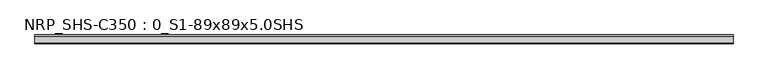
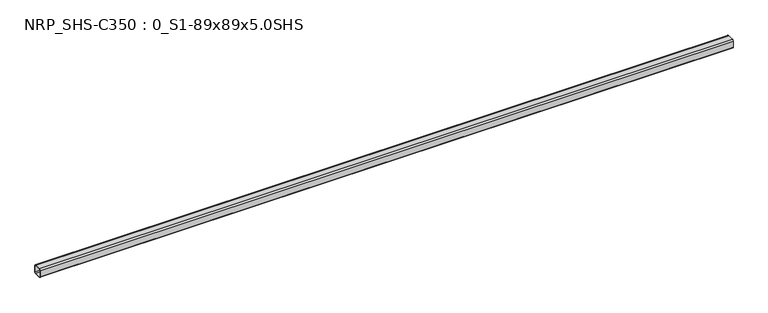
"""IFC4 building model written with IfcOpenShell, lengths in millimetres: beam geometry, NRP_SHS-C350 : 0_S1-89x89x5.0SHS."""

import ifcopenshell
import ifcopenshell.guid

model = None  # the IFC model being written
_history = None  # IfcOwnerHistory: only IFC2X3 demands one
_inside = {}  # id of a spatial element -> (the spatial element, [elements in it])
_under = {}  # id of a project, library or spatial element -> (it, [spatial elements below it])
_declared = {}  # id of a project -> (the project, [libraries it declares])
_typed = {}  # id of a type object -> (the type object, [elements of that type])
_made_of = {}  # id of a material, layer set ... -> (it, [elements and type objects made of it])


def new_model(schema):
    """Start an empty IFC model of exactly this schema.

    Asked for "IFC4X3", IfcOpenShell would pick the latest addendum, in which some entities
    have other attributes; the version numbers below select the first issue.
    IFC2X3 requires an IfcOwnerHistory on every rooted entity: one is made here for all.
    """
    global model, _history
    if schema == "IFC4X3":
        model = ifcopenshell.file(schema_version=(4, 3, 0, 0))
    else:
        model = ifcopenshell.file(schema=schema)
    _inside.clear()
    _under.clear()
    _declared.clear()
    _typed.clear()
    _made_of.clear()
    _history = None
    if model.schema == "IFC2X3":
        org = make("IfcOrganization", Name="unknown")
        user = make(
            "IfcPersonAndOrganization",
            ThePerson=make("IfcPerson", FamilyName="unknown"),
            TheOrganization=org,
        )
        app = make(
            "IfcApplication",
            ApplicationDeveloper=org,
            Version="unknown",
            ApplicationFullName="unknown",
            ApplicationIdentifier="unknown",
        )
        _history = make(
            "IfcOwnerHistory",
            OwningUser=user,
            OwningApplication=app,
            ChangeAction="ADDED",
            CreationDate=0,
        )
    return model


def make(cls, **values):
    """One entity of the class cls with the attributes given. An attribute that is None is left unset."""
    return model.create_entity(
        cls, **{name: value for name, value in values.items() if value is not None}
    )


def rooted(cls, **values):
    """An entity with a GlobalId (a new one), such as an element, a storey or a relation."""
    return make(cls, GlobalId=ifcopenshell.guid.new(), OwnerHistory=_history, **values)


def si_unit(unit_type, name, prefix=None):
    """IfcSIUnit, for example si_unit("LENGTHUNIT", "METRE", prefix="MILLI")."""
    return make("IfcSIUnit", UnitType=unit_type, Prefix=prefix, Name=name)


def assignment(units):
    """IfcUnitAssignment: the units of a project."""
    return None if units is None else make("IfcUnitAssignment", Units=units)


def point(xyz):
    """IfcCartesianPoint."""
    return None if xyz is None else make("IfcCartesianPoint", Coordinates=xyz)


def direction(xyz):
    """IfcDirection."""
    return None if xyz is None else make("IfcDirection", DirectionRatios=xyz)


def frame(location, z_axis=None, x_axis=None):
    """IfcAxis2Placement3D, a coordinate frame: its origin and axes. An axis left out is left unset."""
    return make(
        "IfcAxis2Placement3D",
        Location=point(location),
        Axis=direction(z_axis),
        RefDirection=direction(x_axis),
    )


def frame_2d(location, x_axis=None):
    """IfcAxis2Placement2D, a coordinate frame in the plane: its origin and x axis."""
    return make(
        "IfcAxis2Placement2D", Location=point(location), RefDirection=direction(x_axis)
    )


def origin():
    """The frame at (0, 0, 0) with its axes left unset."""
    return frame((0.0, 0.0, 0.0))


def place(relative_to, where):
    """IfcLocalPlacement: puts the frame where relative to a parent placement (None: the world)."""
    return make(
        "IfcLocalPlacement", PlacementRelTo=relative_to, RelativePlacement=where
    )


def context(
    kind, dimensions, precision=None, world=None, true_north=None, identifier=None
):
    """IfcGeometricRepresentationContext, for example the 3D "Model" context."""
    return make(
        "IfcGeometricRepresentationContext",
        ContextIdentifier=identifier,
        ContextType=kind,
        CoordinateSpaceDimension=dimensions,
        Precision=precision,
        WorldCoordinateSystem=world,
        TrueNorth=true_north,
    )


def project(units=None, contexts=None):
    """IfcProject with its units and contexts."""
    return rooted(
        "IfcProject",
        Name="project",
        RepresentationContexts=contexts,
        UnitsInContext=assignment(units),
    )


def spatial(cls, under=None, at=None, **own):
    """A site, building, storey or space (cls), placed at a placement, below another one or the project."""
    s = rooted(cls, ObjectPlacement=at, **own)
    if under is not None:
        _under.setdefault(under.id(), (under, []))[1].append(s)
    return s


def polyline(points):
    """IfcPolyline through the points."""
    return make("IfcPolyline", Points=[point(p) for p in points])


def circle_curve(where, radius):
    """IfcCircle in the frame where."""
    return make("IfcCircle", Position=where, Radius=radius)


def trimmed(basis, trim1, trim2, sense, master):
    """IfcTrimmedCurve: the piece of a basis curve between two trims."""
    return make(
        "IfcTrimmedCurve",
        BasisCurve=basis,
        Trim1=trim1,
        Trim2=trim2,
        SenseAgreement=sense,
        MasterRepresentation=master,
    )


def segment(curve, same_sense, transition):
    """IfcCompositeCurveSegment."""
    return make(
        "IfcCompositeCurveSegment",
        Transition=transition,
        SameSense=same_sense,
        ParentCurve=curve,
    )


def composite_curve(segments, self_intersect=None):
    """IfcCompositeCurve: segments joined end to end."""
    return make("IfcCompositeCurve", Segments=segments, SelfIntersect=self_intersect)


def outline(outer, holes=None, kind="AREA"):
    """IfcArbitraryClosedProfileDef: a profile drawn as a closed curve; with holes, ...WithVoids."""
    if holes is None:
        return make("IfcArbitraryClosedProfileDef", ProfileType=kind, OuterCurve=outer)
    return make(
        "IfcArbitraryProfileDefWithVoids",
        ProfileType=kind,
        OuterCurve=outer,
        InnerCurves=holes,
    )


def extrude(swept, where, along, depth):
    """IfcExtrudedAreaSolid: the profile swept, set in the frame where, extruded along a direction by depth."""
    return make(
        "IfcExtrudedAreaSolid",
        SweptArea=swept,
        Position=where,
        ExtrudedDirection=direction(along),
        Depth=depth,
    )


def shape(context_of_items, identifier, shape_type, items):
    """IfcShapeRepresentation: the items that make up one representation, for example the "Body"."""
    return make(
        "IfcShapeRepresentation",
        ContextOfItems=context_of_items,
        RepresentationIdentifier=identifier,
        RepresentationType=shape_type,
        Items=items,
    )


def source(mapping_origin, context_of_items, identifier, shape_type, items):
    """IfcRepresentationMap: a shape defined once, which mapped items show again and again."""
    return make(
        "IfcRepresentationMap",
        MappingOrigin=mapping_origin,
        MappedRepresentation=shape(context_of_items, identifier, shape_type, items),
    )


def transform(
    local_origin,
    x_axis=None,
    y_axis=None,
    z_axis=None,
    scale=None,
    scale2=None,
    scale3=None,
    uniform=True,
):
    """IfcCartesianTransformationOperator3D, or its non-uniform kind. x_axis, y_axis, z_axis: its Axis1, 2, 3."""
    if uniform:
        return make(
            "IfcCartesianTransformationOperator3D",
            Axis1=direction(x_axis),
            Axis2=direction(y_axis),
            LocalOrigin=point(local_origin),
            Scale=scale,
            Axis3=direction(z_axis),
        )
    return make(
        "IfcCartesianTransformationOperator3DnonUniform",
        Axis1=direction(x_axis),
        Axis2=direction(y_axis),
        LocalOrigin=point(local_origin),
        Scale=scale,
        Axis3=direction(z_axis),
        Scale2=scale2,
        Scale3=scale3,
    )


def mapped(mapping_source, mapping_target):
    """IfcMappedItem: shows the shape of a source again, moved by a transform."""
    return make(
        "IfcMappedItem", MappingSource=mapping_source, MappingTarget=mapping_target
    )


def made_of(thing, what):
    """Note that an element or type object is made of a material, layer set ...; save() writes the relation."""
    if what is not None:
        _made_of.setdefault(what.id(), (what, []))[1].append(thing)
    return thing


def element(
    cls,
    number,
    at=None,
    inside=None,
    cuts=None,
    type_object=None,
    material=None,
    context=None,
    identifier="Body",
    shape_type=None,
    held_by="IfcProductDefinitionShape",
    body=None,
    shapes=None,
    **own,
):
    """One element of the class cls, such as IfcWall. Its Tag is "e" and its number.

    at: its placement. inside: the storey or other place that contains it. cuts: it is an
    opening in that element (IfcRelVoidsElement). A single representation is given by context,
    identifier, shape_type and body (its items); several are given by shapes. held_by: the class
    of the entity that holds the representations. save() writes the other relations.
    """
    e = rooted(cls, Tag="e%d" % number, ObjectPlacement=at, **own)
    if body is not None:
        shapes = [shape(context, identifier, shape_type, body)]
    if shapes is not None:
        e.Representation = make(held_by, Representations=shapes)
    if inside is not None:
        _inside.setdefault(inside.id(), (inside, []))[1].append(e)
    if cuts is not None:
        rooted(
            "IfcRelVoidsElement", RelatingBuildingElement=cuts, RelatedOpeningElement=e
        )
    if type_object is not None:
        _typed.setdefault(type_object.id(), (type_object, []))[1].append(e)
    return made_of(e, material)


def aggregate(whole, parts):
    """IfcRelAggregates: a whole, such as a stair, and the parts it consists of."""
    return rooted("IfcRelAggregates", RelatingObject=whole, RelatedObjects=parts)


def save(model, path):
    """Write the relations noted so far, then the file.

    IfcRelAggregates (storeys below a building ...), IfcRelContainedInSpatialStructure (elements
    in a storey), IfcRelDefinesByType, IfcRelAssociatesMaterial and IfcRelDeclares: one each for
    every whole, place, type object, material and project.
    """
    for whole, parts in _under.values():
        aggregate(whole, parts)
    for where, things in _inside.values():
        rooted(
            "IfcRelContainedInSpatialStructure",
            RelatedElements=things,
            RelatingStructure=where,
        )
    for kind, things in _typed.values():
        rooted("IfcRelDefinesByType", RelatedObjects=things, RelatingType=kind)
    for what, things in _made_of.values():
        rooted("IfcRelAssociatesMaterial", RelatedObjects=things, RelatingMaterial=what)
    for by, libraries in _declared.values():
        rooted("IfcRelDeclares", RelatingContext=by, RelatedDefinitions=libraries)
    model.write(path)


def nrp_shs_c350_0_s1_89x89x5_0shs_8f1a0245(model_context):
    return source(origin(), model_context, "Body", "SweptSolid", [
        extrude(outline(composite_curve([segment(polyline([(44.5, 32.0), (44.5, -32.0)]), True, "CONTINUOUS"), segment(trimmed(circle_curve(frame_2d((32.0, -32.0)), 12.5), [point((44.5, -32.0))], [point((32.0, -44.5))], False, "CARTESIAN"), True, "CONTINUOUS"), segment(polyline([(32.0, -44.5), (-32.0, -44.5)]), True, "CONTINUOUS"), segment(trimmed(circle_curve(frame_2d((-32.0, -32.0)), 12.5), [point((-32.0, -44.5))], [point((-44.5, -32.0))], False, "CARTESIAN"), True, "CONTINUOUS"), segment(polyline([(-44.5, -32.0), (-44.5, 32.0)]), True, "CONTINUOUS"), segment(trimmed(circle_curve(frame_2d((-32.0, 32.0)), 12.5), [point((-44.5, 32.0))], [point((-32.0, 44.5))], False, "CARTESIAN"), True, "CONTINUOUS"), segment(polyline([(-32.0, 44.5), (32.0, 44.5)]), True, "CONTINUOUS"), segment(trimmed(circle_curve(frame_2d((32.0, 32.0)), 12.5), [point((32.0, 44.5))], [point((44.5, 32.0))], False, "CARTESIAN"), True, "CONTINUOUS")], self_intersect=False), holes=[composite_curve([segment(trimmed(circle_curve(frame_2d((-32.0, 32.0)), 7.5), [point((-32.0, 39.5))], [point((-39.5, 32.0))], True, "CARTESIAN"), True, "CONTINUOUS"), segment(polyline([(-39.5, 32.0), (-39.5, -32.0)]), True, "CONTINUOUS"), segment(trimmed(circle_curve(frame_2d((-32.0, -32.0)), 7.5), [point((-39.5, -32.0))], [point((-32.0, -39.5))], True, "CARTESIAN"), True, "CONTINUOUS"), segment(polyline([(-32.0, -39.5), (32.0, -39.5)]), True, "CONTINUOUS"), segment(trimmed(circle_curve(frame_2d((32.0, -32.0)), 7.5), [point((32.0, -39.5))], [point((39.5, -32.0))], True, "CARTESIAN"), True, "CONTINUOUS"), segment(polyline([(39.5, -32.0), (39.5, 32.0)]), True, "CONTINUOUS"), segment(trimmed(circle_curve(frame_2d((32.0, 32.0)), 7.5), [point((39.5, 32.0))], [point((32.0, 39.5))], True, "CARTESIAN"), True, "CONTINUOUS"), segment(polyline([(32.0, 39.5), (-32.0, 39.5)]), True, "CONTINUOUS")], self_intersect=False)]), frame((-3459.5, 0.0, 0.0), z_axis=(1.0, 0.0, 0.0), x_axis=(0.0, 1.0, 0.0)), (0.0, 0.0, 1.0), 6957.0),
    ])


if __name__ == "__main__":
    model = new_model("IFC4")
    model_context = context("Model", 3, world=origin())
    ifc_project = project(units=[si_unit("LENGTHUNIT", "METRE", prefix="MILLI")], contexts=[model_context])
    site = spatial("IfcSite", under=ifc_project)
    building = spatial("IfcBuilding", under=site)
    placement = place(None, origin())
    nrp_shs_c350_0_s1_89x89x5_0shs_shape = nrp_shs_c350_0_s1_89x89x5_0shs_8f1a0245(model_context)
    element("IfcBeam", 1, ObjectType="NRP_SHS-C350 : 0_S1-89x89x5.0SHS", at=placement, inside=building, context=model_context, shape_type="MappedRepresentation", body=[
        mapped(nrp_shs_c350_0_s1_89x89x5_0shs_shape, transform((0.0, 0.0, 0.0), x_axis=(1.0, 0.0, 0.0), y_axis=(0.0, 1.0, 0.0), z_axis=(0.0, 0.0, 1.0))),
    ])
    save(model, "model.ifc")
